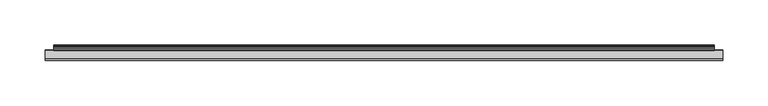
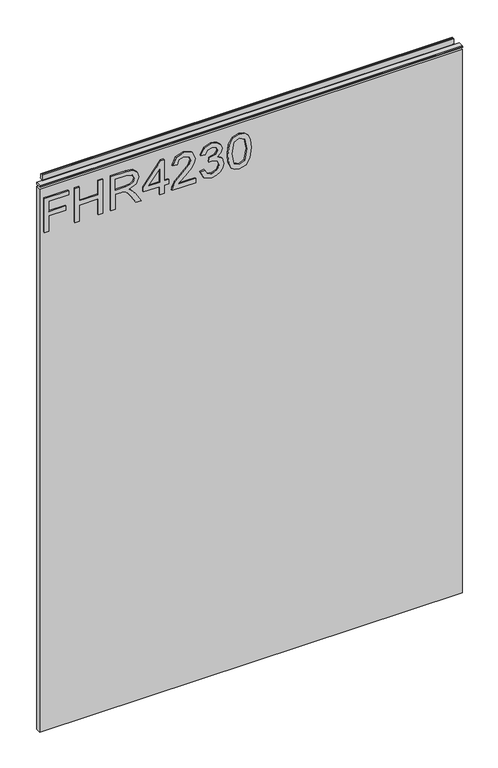
"""IFC4 building model written with IfcOpenShell, lengths in millimetres: furniture geometry."""

from ifc_helpers import new_model, si_unit, frame, origin, place, context, project, spatial, polyline, outline, extrude, source, transform, mapped, element, save


def furniture_fce66c19(model_context):
    return source(origin(), model_context, "Body", "SweptSolid", [
        extrude(outline(polyline([(951.4078, -291.2107253), (951.4078, -283.2370057), (980.3125336, -283.2370057), (980.3125336, -253.3355571), (988.2862532, -253.3355571), (988.2862532, -283.2370057), (1007.2238373, -283.2370057), (1007.2238373, -248.3519823), (1015.1975569, -248.3519823), (1015.1975569, -291.2107253), (951.4078, -291.2107253)])), frame((0.0, -5.4842478, 0.0), z_axis=(0.0, 1.0, 0.0), x_axis=(0.0, 0.0, 1.0)), (0.0, 0.0, 1.0), 2.38125),
        extrude(outline(polyline([(951.4078, -237.3881179), (951.4078, -229.4143982), (981.3092486, -229.4143982), (981.3092486, -195.5260899), (951.4078, -195.5260899), (951.4078, -187.5523702), (1015.1975569, -187.5523702), (1015.1975569, -195.5260899), (989.2829682, -195.5260899), (989.2829682, -229.4143982), (1015.1975569, -229.4143982), (1015.1975569, -237.3881179), (951.4078, -237.3881179)])), frame((0.0, -5.4842478, 0.0), z_axis=(0.0, 1.0, 0.0), x_axis=(0.0, 0.0, 1.0)), (0.0, 0.0, 1.0), 2.38125),
        extrude(outline(polyline([(951.4078, -173.5983609), (951.4078, -165.6246413), (979.3158187, -165.6246413), (979.3158187, -156.0001125), (979.0354926, -151.3747322), (977.5170596, -147.5825433), (973.38225, -143.3698652), (964.6298468, -137.3740019), (951.4078, -129.0732351), (951.4078, -119.8069008), (968.694575, -130.4437182), (976.9018996, -136.9067917), (980.3125336, -141.43873), (986.2461023, -128.084307), (997.7394716, -123.7626133), (1007.3873609, -126.3712032), (1013.4766663, -133.3482079), (1015.1975569, -146.1108314), (1015.1975569, -173.5983609), (951.4078, -173.5983609)]), holes=[polyline([(987.2895383, -165.6246413), (1007.2238373, -165.6246413), (1007.2238373, -145.7682106), (1004.4672975, -135.1080327), (997.4435719, -131.7363329), (992.0317211, -133.5039446), (988.4186294, -138.6744034), (987.2895383, -147.7772142), (987.2895383, -165.6246413)])]), frame((0.0, -5.4842478, 0.0), z_axis=(0.0, 1.0, 0.0), x_axis=(0.0, 0.0, 1.0)), (0.0, 0.0, 1.0), 2.38125),
        extrude(outline(polyline([(951.4078, -86.8841601), (951.4078, -78.9104404), (966.3585243, -78.9104404), (966.3585243, -70.9367208), (974.3322439, -70.9367208), (974.3322439, -78.9104404), (1014.200842, -78.9104404), (1014.200842, -84.8907302), (974.3322439, -115.7888937), (966.3585243, -115.7888937), (966.3585243, -86.8841601), (951.4078, -86.8841601)]), holes=[polyline([(974.3322439, -86.8841601), (974.3322439, -105.9774809), (998.9697916, -86.8841601), (974.3322439, -86.8841601)])]), frame((0.0, -5.4842478, 0.0), z_axis=(0.0, 1.0, 0.0), x_axis=(0.0, 0.0, 1.0)), (0.0, 0.0, 1.0), 2.38125),
        extrude(outline(polyline([(959.3815196, -23.0944031), (959.3815196, -54.4130558), (963.4384609, -50.8155377), (971.108494, -41.6426454), (982.0334243, -30.2193577), (989.8514072, -25.5083221), (997.4124245, -24.0911181), (1010.0893928, -29.3472321), (1015.1975569, -43.6205017), (1010.603324, -57.8470502), (997.2566878, -63.9597162), (996.2599729, -55.9859965), (1004.3115608, -52.6298704), (1007.2238373, -43.791812), (1004.2414793, -35.3119481), (996.9296407, -32.0648377), (987.8969115, -35.506619), (974.61257, -49.2737443), (965.3695962, -59.2564675), (956.9053059, -64.0998792), (951.4078, -64.9564311), (951.4078, -23.0944031), (959.3815196, -23.0944031)])), frame((0.0, -5.4842478, 0.0), z_axis=(0.0, 1.0, 0.0), x_axis=(0.0, 0.0, 1.0)), (0.0, 0.0, 1.0), 2.38125),
        extrude(outline(polyline([(968.3519542, -15.1206835), (955.4102335, -8.7821993), (950.411085, 5.2029573), (951.8750101, 13.7256489), (956.2667854, 20.6364654), (962.7610063, 25.2151247), (970.5322681, 26.7413445), (980.9043331, 23.688905), (986.355118, 14.9987965), (991.6345925, 21.5397383), (998.9853653, 23.7511996), (1007.0291664, 21.4229358), (1013.0094562, 14.6951099), (1015.1975569, 5.078368), (1010.7590607, -7.5986003), (998.2534028, -14.1239685), (997.2566878, -6.1502489), (1004.7320499, -2.2412575), (1007.2238373, 5.358694), (1004.7554105, 12.8652035), (998.5181552, 15.77748), (991.4788558, 11.7594729), (989.2829682, 1.4341289), (981.3092486, 0.5464297), (982.1813742, 6.1373776), (978.91869, 15.2012542), (970.6724312, 18.7676249), (961.920028, 15.1701069), (958.3848047, 5.4832834), (960.9544604, -2.7474018), (969.3486691, -7.1469639), (968.3519542, -15.1206835)])), frame((0.0, -5.4842478, 0.0), z_axis=(0.0, 1.0, 0.0), x_axis=(0.0, 0.0, 1.0)), (0.0, 0.0, 1.0), 2.38125),
        extrude(outline(polyline([(982.7887473, 33.7183492), (967.2734775, 35.3068636), (956.4848168, 40.072407), (951.929518, 46.3641701), (950.411085, 54.6493632), (953.9073742, 66.3218297), (964.5130443, 73.2599002), (982.7887473, 75.5803772), (997.7784058, 74.1320257), (1007.2160505, 70.3943447), (1013.1418324, 63.9624185), (1015.1975569, 54.6493632), (1011.7246283, 43.0236177), (1001.1423188, 36.0621867), (982.7887473, 33.7183492)]), holes=[polyline([(982.804321, 41.6920688), (1002.9566514, 45.5543392), (1007.2238373, 54.5559211), (1002.3804256, 63.9935658), (982.804321, 67.6066575), (963.0179718, 63.8689765), (958.3848047, 54.6493632), (963.0023982, 45.4297499), (982.804321, 41.6920688)])]), frame((0.0, -5.4842478, 0.0), z_axis=(0.0, 1.0, 0.0), x_axis=(0.0, 0.0, 1.0)), (0.0, 0.0, 1.0), 2.38125),
        extrude(outline(polyline([(5.5562561, 1041.4), (6.3500061, 1041.4), (6.3500061, 1051.27425), (7.1437561, 1052.068), (8.6677569, 1052.068), (10.0084363, 1051.6506926), (10.875413, 1050.5461816), (10.9623604, 1049.1447591), (10.2390011, 1046.1863459), (10.4046103, 1044.9833307), (11.6746103, 1042.7836103), (10.7786383, 1042.2663244), (7.1437561, 1042.2663244), (7.1437561, 1041.4), (6.3500061, 1041.1669239), (6.3500061, 1033.9578), (5.5562561, 1033.9578), (5.5562561, 1041.4)])), frame((-288.671, 0.0, 0.0), z_axis=(1.0, 0.0, 0.0), x_axis=(0.0, 1.0, 0.0)), (0.0, 0.0, 1.0), 729.742),
        extrude(outline(polyline([(5.5562561, 1041.4), (5.5562561, 1038.2249996), (-3.975094, 1038.2249996), (-5.3492339, 1039.0183657), (-5.3492339, 1040.6066395), (-3.9751037, 1041.4), (5.5562561, 1041.4)])), frame((-298.196, 0.0, 0.0), z_axis=(1.0, 0.0, 0.0), x_axis=(0.0, 1.0, 0.0)), (0.0, 0.0, 1.0), 748.792),
        extrude(outline(polyline([(450.596, 6.3500061), (450.596, -3.1749939), (-298.196, -3.1749939), (-298.196, 6.3500061), (450.596, 6.3500061)])), frame((0.0, 0.0, 15.79626), z_axis=(0.0, 0.0, 1.0), x_axis=(1.0, 0.0, 0.0)), (0.0, 0.0, 1.0), 1018.16154),
    ])


if __name__ == "__main__":
    model = new_model("IFC4")
    model_context = context("Model", 3, world=origin())
    ifc_project = project(units=[si_unit("LENGTHUNIT", "METRE", prefix="MILLI")], contexts=[model_context])
    site = spatial("IfcSite", under=ifc_project)
    building = spatial("IfcBuilding", under=site)
    placement = place(None, origin())
    furniture_shape = furniture_fce66c19(model_context)
    element("IfcFurniture", 1, at=placement, inside=building, context=model_context, shape_type="MappedRepresentation", body=[
        mapped(furniture_shape, transform((0.0, 0.0, 0.0), x_axis=(1.0, 0.0, 0.0), y_axis=(0.0, 1.0, 0.0), z_axis=(0.0, 0.0, 1.0))),
    ])
    save(model, "model.ifc")
